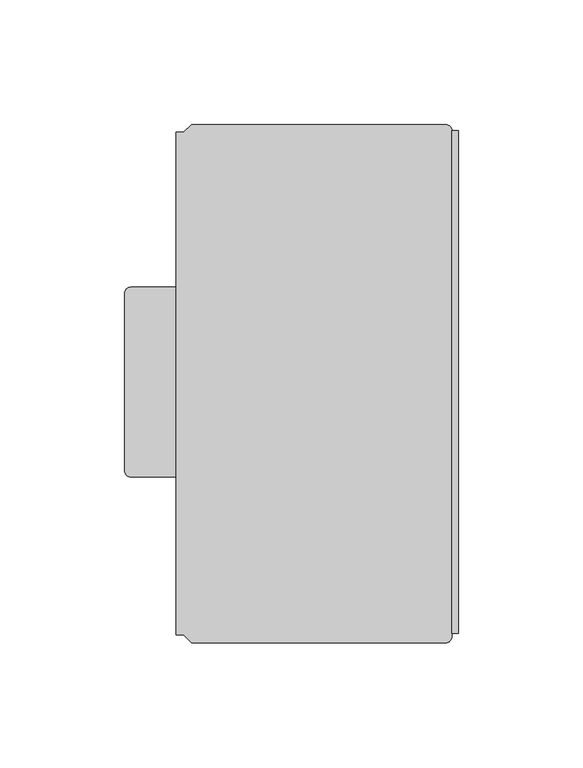
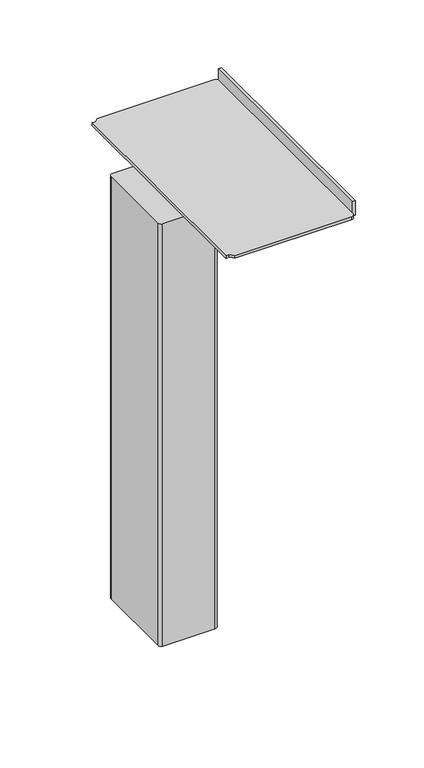
"""IFC4 building model written with IfcOpenShell, lengths in millimetres: furniture geometry."""

import ifcopenshell
import ifcopenshell.guid

model = None  # the IFC model being written
_history = None  # IfcOwnerHistory: only IFC2X3 demands one
_inside = {}  # id of a spatial element -> (the spatial element, [elements in it])
_under = {}  # id of a project, library or spatial element -> (it, [spatial elements below it])
_declared = {}  # id of a project -> (the project, [libraries it declares])
_typed = {}  # id of a type object -> (the type object, [elements of that type])
_made_of = {}  # id of a material, layer set ... -> (it, [elements and type objects made of it])


def new_model(schema):
    """Start an empty IFC model of exactly this schema.

    Asked for "IFC4X3", IfcOpenShell would pick the latest addendum, in which some entities
    have other attributes; the version numbers below select the first issue.
    IFC2X3 requires an IfcOwnerHistory on every rooted entity: one is made here for all.
    """
    global model, _history
    if schema == "IFC4X3":
        model = ifcopenshell.file(schema_version=(4, 3, 0, 0))
    else:
        model = ifcopenshell.file(schema=schema)
    _inside.clear()
    _under.clear()
    _declared.clear()
    _typed.clear()
    _made_of.clear()
    _history = None
    if model.schema == "IFC2X3":
        org = make("IfcOrganization", Name="unknown")
        user = make(
            "IfcPersonAndOrganization",
            ThePerson=make("IfcPerson", FamilyName="unknown"),
            TheOrganization=org,
        )
        app = make(
            "IfcApplication",
            ApplicationDeveloper=org,
            Version="unknown",
            ApplicationFullName="unknown",
            ApplicationIdentifier="unknown",
        )
        _history = make(
            "IfcOwnerHistory",
            OwningUser=user,
            OwningApplication=app,
            ChangeAction="ADDED",
            CreationDate=0,
        )
    return model


def make(cls, **values):
    """One entity of the class cls with the attributes given. An attribute that is None is left unset."""
    return model.create_entity(
        cls, **{name: value for name, value in values.items() if value is not None}
    )


def rooted(cls, **values):
    """An entity with a GlobalId (a new one), such as an element, a storey or a relation."""
    return make(cls, GlobalId=ifcopenshell.guid.new(), OwnerHistory=_history, **values)


def si_unit(unit_type, name, prefix=None):
    """IfcSIUnit, for example si_unit("LENGTHUNIT", "METRE", prefix="MILLI")."""
    return make("IfcSIUnit", UnitType=unit_type, Prefix=prefix, Name=name)


def assignment(units):
    """IfcUnitAssignment: the units of a project."""
    return None if units is None else make("IfcUnitAssignment", Units=units)


def point(xyz):
    """IfcCartesianPoint."""
    return None if xyz is None else make("IfcCartesianPoint", Coordinates=xyz)


def direction(xyz):
    """IfcDirection."""
    return None if xyz is None else make("IfcDirection", DirectionRatios=xyz)


def frame(location, z_axis=None, x_axis=None):
    """IfcAxis2Placement3D, a coordinate frame: its origin and axes. An axis left out is left unset."""
    return make(
        "IfcAxis2Placement3D",
        Location=point(location),
        Axis=direction(z_axis),
        RefDirection=direction(x_axis),
    )


def frame_2d(location, x_axis=None):
    """IfcAxis2Placement2D, a coordinate frame in the plane: its origin and x axis."""
    return make(
        "IfcAxis2Placement2D", Location=point(location), RefDirection=direction(x_axis)
    )


def origin():
    """The frame at (0, 0, 0) with its axes left unset."""
    return frame((0.0, 0.0, 0.0))


def place(relative_to, where):
    """IfcLocalPlacement: puts the frame where relative to a parent placement (None: the world)."""
    return make(
        "IfcLocalPlacement", PlacementRelTo=relative_to, RelativePlacement=where
    )


def context(
    kind, dimensions, precision=None, world=None, true_north=None, identifier=None
):
    """IfcGeometricRepresentationContext, for example the 3D "Model" context."""
    return make(
        "IfcGeometricRepresentationContext",
        ContextIdentifier=identifier,
        ContextType=kind,
        CoordinateSpaceDimension=dimensions,
        Precision=precision,
        WorldCoordinateSystem=world,
        TrueNorth=true_north,
    )


def project(units=None, contexts=None):
    """IfcProject with its units and contexts."""
    return rooted(
        "IfcProject",
        Name="project",
        RepresentationContexts=contexts,
        UnitsInContext=assignment(units),
    )


def spatial(cls, under=None, at=None, **own):
    """A site, building, storey or space (cls), placed at a placement, below another one or the project."""
    s = rooted(cls, ObjectPlacement=at, **own)
    if under is not None:
        _under.setdefault(under.id(), (under, []))[1].append(s)
    return s


def polyline(points):
    """IfcPolyline through the points."""
    return make("IfcPolyline", Points=[point(p) for p in points])


def circle_curve(where, radius):
    """IfcCircle in the frame where."""
    return make("IfcCircle", Position=where, Radius=radius)


def trimmed(basis, trim1, trim2, sense, master):
    """IfcTrimmedCurve: the piece of a basis curve between two trims."""
    return make(
        "IfcTrimmedCurve",
        BasisCurve=basis,
        Trim1=trim1,
        Trim2=trim2,
        SenseAgreement=sense,
        MasterRepresentation=master,
    )


def segment(curve, same_sense, transition):
    """IfcCompositeCurveSegment."""
    return make(
        "IfcCompositeCurveSegment",
        Transition=transition,
        SameSense=same_sense,
        ParentCurve=curve,
    )


def composite_curve(segments, self_intersect=None):
    """IfcCompositeCurve: segments joined end to end."""
    return make("IfcCompositeCurve", Segments=segments, SelfIntersect=self_intersect)


def outline(outer, holes=None, kind="AREA"):
    """IfcArbitraryClosedProfileDef: a profile drawn as a closed curve; with holes, ...WithVoids."""
    if holes is None:
        return make("IfcArbitraryClosedProfileDef", ProfileType=kind, OuterCurve=outer)
    return make(
        "IfcArbitraryProfileDefWithVoids",
        ProfileType=kind,
        OuterCurve=outer,
        InnerCurves=holes,
    )


def extrude(swept, where, along, depth):
    """IfcExtrudedAreaSolid: the profile swept, set in the frame where, extruded along a direction by depth."""
    return make(
        "IfcExtrudedAreaSolid",
        SweptArea=swept,
        Position=where,
        ExtrudedDirection=direction(along),
        Depth=depth,
    )


def shape(context_of_items, identifier, shape_type, items):
    """IfcShapeRepresentation: the items that make up one representation, for example the "Body"."""
    return make(
        "IfcShapeRepresentation",
        ContextOfItems=context_of_items,
        RepresentationIdentifier=identifier,
        RepresentationType=shape_type,
        Items=items,
    )


def source(mapping_origin, context_of_items, identifier, shape_type, items):
    """IfcRepresentationMap: a shape defined once, which mapped items show again and again."""
    return make(
        "IfcRepresentationMap",
        MappingOrigin=mapping_origin,
        MappedRepresentation=shape(context_of_items, identifier, shape_type, items),
    )


def transform(
    local_origin,
    x_axis=None,
    y_axis=None,
    z_axis=None,
    scale=None,
    scale2=None,
    scale3=None,
    uniform=True,
):
    """IfcCartesianTransformationOperator3D, or its non-uniform kind. x_axis, y_axis, z_axis: its Axis1, 2, 3."""
    if uniform:
        return make(
            "IfcCartesianTransformationOperator3D",
            Axis1=direction(x_axis),
            Axis2=direction(y_axis),
            LocalOrigin=point(local_origin),
            Scale=scale,
            Axis3=direction(z_axis),
        )
    return make(
        "IfcCartesianTransformationOperator3DnonUniform",
        Axis1=direction(x_axis),
        Axis2=direction(y_axis),
        LocalOrigin=point(local_origin),
        Scale=scale,
        Axis3=direction(z_axis),
        Scale2=scale2,
        Scale3=scale3,
    )


def mapped(mapping_source, mapping_target):
    """IfcMappedItem: shows the shape of a source again, moved by a transform."""
    return make(
        "IfcMappedItem", MappingSource=mapping_source, MappingTarget=mapping_target
    )


def made_of(thing, what):
    """Note that an element or type object is made of a material, layer set ...; save() writes the relation."""
    if what is not None:
        _made_of.setdefault(what.id(), (what, []))[1].append(thing)
    return thing


def element(
    cls,
    number,
    at=None,
    inside=None,
    cuts=None,
    type_object=None,
    material=None,
    context=None,
    identifier="Body",
    shape_type=None,
    held_by="IfcProductDefinitionShape",
    body=None,
    shapes=None,
    **own,
):
    """One element of the class cls, such as IfcWall. Its Tag is "e" and its number.

    at: its placement. inside: the storey or other place that contains it. cuts: it is an
    opening in that element (IfcRelVoidsElement). A single representation is given by context,
    identifier, shape_type and body (its items); several are given by shapes. held_by: the class
    of the entity that holds the representations. save() writes the other relations.
    """
    e = rooted(cls, Tag="e%d" % number, ObjectPlacement=at, **own)
    if body is not None:
        shapes = [shape(context, identifier, shape_type, body)]
    if shapes is not None:
        e.Representation = make(held_by, Representations=shapes)
    if inside is not None:
        _inside.setdefault(inside.id(), (inside, []))[1].append(e)
    if cuts is not None:
        rooted(
            "IfcRelVoidsElement", RelatingBuildingElement=cuts, RelatedOpeningElement=e
        )
    if type_object is not None:
        _typed.setdefault(type_object.id(), (type_object, []))[1].append(e)
    return made_of(e, material)


def aggregate(whole, parts):
    """IfcRelAggregates: a whole, such as a stair, and the parts it consists of."""
    return rooted("IfcRelAggregates", RelatingObject=whole, RelatedObjects=parts)


def save(model, path):
    """Write the relations noted so far, then the file.

    IfcRelAggregates (storeys below a building ...), IfcRelContainedInSpatialStructure (elements
    in a storey), IfcRelDefinesByType, IfcRelAssociatesMaterial and IfcRelDeclares: one each for
    every whole, place, type object, material and project.
    """
    for whole, parts in _under.values():
        aggregate(whole, parts)
    for where, things in _inside.values():
        rooted(
            "IfcRelContainedInSpatialStructure",
            RelatedElements=things,
            RelatingStructure=where,
        )
    for kind, things in _typed.values():
        rooted("IfcRelDefinesByType", RelatedObjects=things, RelatingType=kind)
    for what, things in _made_of.values():
        rooted("IfcRelAssociatesMaterial", RelatedObjects=things, RelatingMaterial=what)
    for by, libraries in _declared.values():
        rooted("IfcRelDeclares", RelatingContext=by, RelatedDefinitions=libraries)
    model.write(path)


def plane_surface(at):
    """IfcPlane: the flat surface through the origin of the frame at, square to its z axis."""
    return make("IfcPlane", Position=at)


def cylinder_surface(at, radius):
    """IfcCylindricalSurface: all points at the distance radius from the z axis of the frame at."""
    return make("IfcCylindricalSurface", Position=at, Radius=radius)


def advanced_brep(points, edges, surfaces, faces):
    """IfcAdvancedBrep: a solid bounded by faces that lie on surfaces and meet in shared edges.

    An edge is (start, end): straight between two places in points (the first is 0);
    or (start, end, curve); or (start, end, curve, False) where it runs against its curve.
    A face is (place in surfaces, loops), or (place, loops, False) where it looks against
    its surface's normal. A loop lists edges by number (the first is 1), with a minus sign
    where the edge is run from its end to its start. The first loop is the outer one.
    """
    corners = [point(p) for p in points]
    vertices = [make("IfcVertexPoint", VertexGeometry=c) for c in corners]
    made = []
    for start, end, *more in edges:
        made.append(
            make(
                "IfcEdgeCurve",
                EdgeStart=vertices[start],
                EdgeEnd=vertices[end],
                EdgeGeometry=more[0] if more else make("IfcPolyline", Points=[corners[start], corners[end]]),
                SameSense=more[1] if len(more) > 1 else True,
            )
        )
    hull = []
    for where, loops, *sense in faces:
        bounds = []
        for j, loop in enumerate(loops):
            ring = [make("IfcOrientedEdge", EdgeElement=made[abs(k) - 1], Orientation=k > 0) for k in loop]
            bounds.append(
                make(
                    "IfcFaceOuterBound" if j == 0 else "IfcFaceBound",
                    Bound=make("IfcEdgeLoop", EdgeList=ring),
                    Orientation=True,
                )
            )
        hull.append(make("IfcAdvancedFace", Bounds=bounds, FaceSurface=surfaces[where], SameSense=sense[0] if sense else True))
    return make("IfcAdvancedBrep", Outer=make("IfcClosedShell", CfsFaces=hull))


def furniture_8448da3b(model_context):
    return source(origin(), model_context, "Body", "SolidModel", [
        advanced_brep(
        [(29.5907084, 64.7885645, 951.611), (131.633251, 64.7885645, 951.611), (134.173251, 62.2485645, 951.611), (136.7132486, 62.2485623, 951.611), (136.7132486, -139.706834, 951.611), (134.173251, -139.706834, 951.611), (134.173251, -140.9768395, 951.611), (131.633251, -143.5168395, 951.611), (29.5907084, -143.5168395, 951.611), (26.4157091, -140.3418334, 951.611), (23.3680004, -140.3418334, 951.611), (23.3680004, 61.6135629, 951.611), (26.4157091, 61.6135629, 951.611), (29.5907084, 64.7885645, 954.1510136), (26.4157091, 61.6135629, 954.1510136), (23.3680004, 61.6135629, 954.1510136), (23.3680004, -140.3418334, 954.1510136), (26.4157091, -140.3418334, 954.1510136), (29.5907084, -143.5168395, 954.1510136), (131.633251, -143.5168395, 954.1510136), (134.173251, -140.9768395, 954.1510136), (134.173251, -139.706834, 954.1510136), (134.173251, 62.2485623, 954.1510136), (131.633251, 64.7885645, 954.1510136), (136.7132486, -139.706834, 964.8189671), (134.173251, -139.706834, 964.8189671), (134.173251, 62.2485623, 964.8189671), (136.7132486, 62.2485623, 964.8189671)],
        [
            (0, 1),
            (1, 2, circle_curve(frame((131.633251, 62.2485645, 951.611), z_axis=(0.0, 0.0, -1.0), x_axis=(0.0, -1.0, 0.0)), 2.54)),
            (2, 3),
            (3, 4),
            (4, 5),
            (5, 6),
            (6, 7, circle_curve(frame((131.633251, -140.9768395, 951.611), z_axis=(0.0, 0.0, -1.0), x_axis=(0.0, -1.0, 0.0)), 2.54)),
            (7, 8),
            (8, 9),
            (9, 10),
            (10, 11),
            (11, 12),
            (12, 0),
            (13, 14),
            (14, 15),
            (15, 16),
            (16, 17),
            (17, 18),
            (18, 19),
            (19, 20, circle_curve(frame((131.633251, -140.9768395, 954.1510136), z_axis=(0.0, 0.0, 1.0), x_axis=(0.0, -1.0, 0.0)), 2.54)),
            (20, 21),
            (21, 22),
            (22, 23, circle_curve(frame((131.633251, 62.2485645, 954.1510136), z_axis=(0.0, 0.0, 1.0), x_axis=(0.0, -1.0, 0.0)), 2.54)),
            (23, 13),
            (0, 13),
            (23, 1),
            (22, 2),
            (20, 6),
            (5, 21),
            (19, 7),
            (18, 8),
            (10, 16),
            (15, 11),
            (17, 9),
            (14, 12),
            (4, 24),
            (24, 25),
            (25, 21),
            (26, 27),
            (27, 3),
            (22, 26),
            (25, 26),
            (27, 24),
        ],
        [
            plane_surface(frame((103.0582534, 64.7885645, 951.611), z_axis=(0.0, 0.0, -1.0), x_axis=(1.0, 0.0, 0.0))),
            plane_surface(frame((103.0582534, 64.7885645, 954.1510136), z_axis=(0.0, 0.0, 1.0), x_axis=(-1.0, 0.0, 0.0))),
            plane_surface(frame((29.5907084, 64.7885645, 951.611), z_axis=(0.0, 1.0, 0.0), x_axis=(0.0, 0.0, 1.0))),
            cylinder_surface(frame((131.633251, 62.2485645, 954.1510136), z_axis=(0.0, 0.0, -1.0), x_axis=(0.0, -1.0, 0.0)), 2.54),
            plane_surface(frame((134.173251, 62.2485645, 951.611), z_axis=(1.0, 0.0, 0.0), x_axis=(0.0, 0.0, 1.0))),
            cylinder_surface(frame((131.633251, -140.9768395, 954.1510136), z_axis=(0.0, 0.0, -1.0), x_axis=(0.0, -1.0, 0.0)), 2.54),
            plane_surface(frame((131.633251, -143.5168395, 951.611), z_axis=(0.0, -1.0, 0.0), x_axis=(0.0, 0.0, 1.0))),
            plane_surface(frame((23.3680004, -140.3418334, 951.611), z_axis=(-1.0, 0.0, 0.0), x_axis=(0.0, 0.0, 1.0))),
            plane_surface(frame((29.5907084, -143.5168395, 951.611), z_axis=(-0.7071075398287812, -0.7071060225435, 0.0), x_axis=(0.0, 0.0, 1.0))),
            plane_surface(frame((26.4157091, -140.3418334, 951.611), z_axis=(0.0, -1.0, 0.0), x_axis=(0.0, 0.0, 1.0))),
            plane_surface(frame((23.3680004, 61.6135629, 951.611), z_axis=(0.0, 1.0, 0.0), x_axis=(0.0, 0.0, 1.0))),
            plane_surface(frame((26.4157091, 61.6135629, 951.611), z_axis=(-0.7071070340675647, 0.70710652830544, 0.0), x_axis=(0.0, 0.0, 1.0))),
            plane_surface(frame((134.173251, -139.706834, 964.8189671), z_axis=(0.0, -1.0, 0.0), x_axis=(0.0, 0.0, -1.0))),
            plane_surface(frame((134.173251, 62.2485623, 964.8189671), z_axis=(0.0, 1.0, 0.0), x_axis=(0.0, 0.0, 1.0))),
            plane_surface(frame((134.173251, -139.706834, 964.8189671), z_axis=(-1.0, 0.0, 0.0), x_axis=(0.0, 1.0, 0.0))),
            plane_surface(frame((136.7132486, -139.706834, 951.611), z_axis=(1.0, 0.0, 0.0), x_axis=(0.0, 1.0, 0.0))),
            plane_surface(frame((136.7132486, -139.706834, 964.8189671), z_axis=(0.0, 0.0, 1.0), x_axis=(0.0, 1.0, 0.0))),
        ],
        [
            (0, [[1, 2, 3, 4, 5, 6, 7, 8, 9, 10, 11, 12, 13]]),
            (1, [[14, 15, 16, 17, 18, 19, 20, 21, 22, 23, 24]]),
            (2, [[-1, 25, -24, 26]]),
            (3, [[-2, -26, -23, 27]]),
            (4, [[28, -6, 29, -21]]),
            (5, [[-7, -28, -20, 30]]),
            (6, [[-8, -30, -19, 31]]),
            (7, [[-11, 32, -16, 33]]),
            (8, [[-9, -31, -18, 34]]),
            (9, [[-10, -34, -17, -32]]),
            (10, [[-12, -33, -15, 35]]),
            (11, [[-13, -35, -14, -25]]),
            (12, [[-5, 36, 37, 38, -29]]),
            (13, [[39, 40, -3, -27, 41]]),
            (14, [[42, -41, -22, -38]]),
            (15, [[-36, -4, -40, 43]]),
            (16, [[-37, -43, -39, -42]]),
        ],
    ),
        extrude(outline(composite_curve([segment(trimmed(circle_curve(frame_2d((40.9571708, -49.3434032)), 1.27), [point((42.0570231, -48.7084032))], [point((40.9571708, -50.6134032))], False, "CARTESIAN"), True, "CONTINUOUS"), segment(polyline([(40.9571708, -50.6134032), (27.172357, -50.6134032)]), True, "CONTINUOUS"), segment(trimmed(circle_curve(frame_2d((27.172357, -49.3434032)), 1.27), [point((27.172357, -50.6134032))], [point((26.0725047, -49.9784032))], False, "CARTESIAN"), True, "CONTINUOUS"), segment(polyline([(26.0725047, -49.9784032), (13.8229746, -28.7615956)]), True, "CONTINUOUS"), segment(trimmed(circle_curve(frame_2d((14.9228268, -28.1265956)), 1.27), [point((13.8229746, -28.7615956))], [point((14.9228268, -26.8565956))], False, "CARTESIAN"), True, "CONTINUOUS"), segment(polyline([(14.9228268, -26.8565956), (28.707643, -26.8565956)]), True, "CONTINUOUS"), segment(trimmed(circle_curve(frame_2d((28.707643, -28.1265956)), 1.27), [point((28.707643, -26.8565956))], [point((29.8074953, -27.4915957))], False, "CARTESIAN"), True, "CONTINUOUS"), segment(polyline([(29.8074953, -27.4915957), (42.0570231, -48.7084032)]), True, "CONTINUOUS")], self_intersect=False)), frame((0.0, 0.0, 552.45), z_axis=(0.0, 0.0, 1.0), x_axis=(1.0, 0.0, 0.0)), (0.0, 0.0, 1.0), 6.3500121),
        extrude(outline(composite_curve([segment(trimmed(circle_curve(frame_2d((27.9399996, -38.7350004)), 3.9687492), [point((27.9399996, -34.7662512))], [point((27.9399996, -42.7037496))], False, "CARTESIAN"), True, "CONTINUOUS"), segment(trimmed(circle_curve(frame_2d((27.9399996, -38.7350004)), 3.9687492), [point((27.9399996, -42.7037496))], [point((27.9399996, -34.7662512))], False, "CARTESIAN"), True, "CONTINUOUS")], self_intersect=False)), frame((0.0, 0.0, 558.8000121), z_axis=(0.0, 0.0, 1.0), x_axis=(1.0, 0.0, 0.0)), (0.0, 0.0, 1.0), 3.1749879),
        extrude(outline(composite_curve([segment(trimmed(circle_curve(frame_2d((5.0799976, -3.175)), 2.54), [point((2.5399976, -3.175))], [point((5.0799976, -0.635))], False, "CARTESIAN"), True, "CONTINUOUS"), segment(polyline([(5.0799976, -0.635), (50.7999991, -0.635)]), True, "CONTINUOUS"), segment(trimmed(circle_curve(frame_2d((50.7999991, -3.175)), 2.54), [point((50.7999991, -0.635))], [point((53.3399991, -3.175))], False, "CARTESIAN"), True, "CONTINUOUS"), segment(polyline([(53.3399991, -3.175), (53.3399991, -74.2949994)]), True, "CONTINUOUS"), segment(trimmed(circle_curve(frame_2d((50.7999991, -74.2949994)), 2.54), [point((53.3399991, -74.2949994))], [point((50.7999991, -76.8349994))], False, "CARTESIAN"), True, "CONTINUOUS"), segment(polyline([(50.7999991, -76.8349994), (5.0799976, -76.8349994)]), True, "CONTINUOUS"), segment(trimmed(circle_curve(frame_2d((5.0799976, -74.2949994)), 2.54), [point((5.0799976, -76.8349994))], [point((2.5399976, -74.2949994))], False, "CARTESIAN"), True, "CONTINUOUS"), segment(polyline([(2.5399976, -74.2949994), (2.5399976, -3.175)]), True, "CONTINUOUS")], self_intersect=False)), frame((0.0, 0.0, 561.975), z_axis=(0.0, 0.0, 1.0), x_axis=(1.0, 0.0, 0.0)), (0.0, 0.0, 1.0), 389.636),
    ])


if __name__ == "__main__":
    model = new_model("IFC4")
    model_context = context("Model", 3, world=origin())
    ifc_project = project(units=[si_unit("LENGTHUNIT", "METRE", prefix="MILLI")], contexts=[model_context])
    site = spatial("IfcSite", under=ifc_project)
    building = spatial("IfcBuilding", under=site)
    placement = place(None, origin())
    furniture_shape = furniture_8448da3b(model_context)
    element("IfcFurniture", 1, at=placement, inside=building, context=model_context, shape_type="MappedRepresentation", body=[
        mapped(furniture_shape, transform((0.0, 0.0, 0.0), x_axis=(1.0, 0.0, 0.0), y_axis=(0.0, 1.0, 0.0), z_axis=(0.0, 0.0, 1.0))),
    ])
    save(model, "model.ifc")
